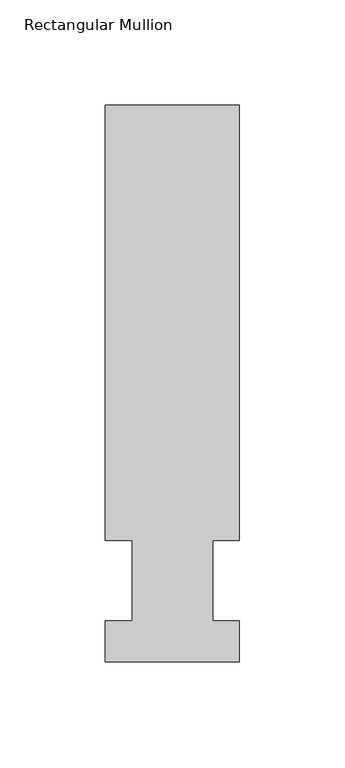
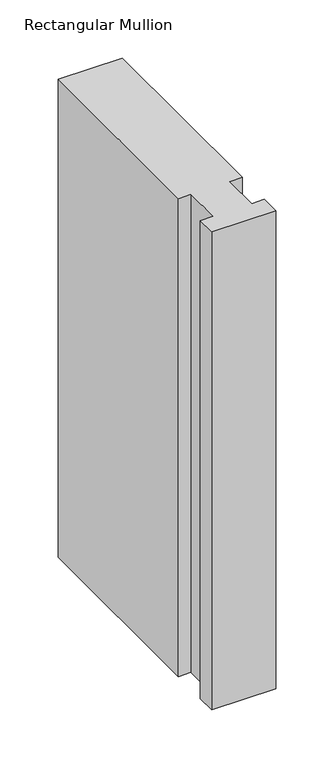
"""IFC4 building model written with IfcOpenShell, lengths in millimetres: member geometry, Rectangular Mullion."""

from ifc_helpers import new_model, si_unit, frame, origin, place, context, project, spatial, polyline, outline, extrude, source, transform, mapped, element, save


def rectangular_mullion_ae204266(model_context):
    return source(origin(), model_context, "Body", "SweptSolid", [
        extrude(outline(polyline([(-63.5, 57.6460937), (-63.5, 264.0210938), (0.0, 264.0210938), (0.0, 57.6460938), (-12.6873, 57.6460938), (-12.6873, 19.5460938), (0.0, 19.5460938), (0.0, 0.0134938), (-63.5, 0.0134938), (-63.5, 19.5460938), (-50.8, 19.5460938), (-50.8, 57.6460937), (-63.5, 57.6460937)])), frame((0.0, 0.0, -501.6543756), z_axis=(0.0, 0.0, 1.0), x_axis=(1.0, 0.0, 0.0)), (0.0, 0.0, 1.0), 501.6543756),
    ])


if __name__ == "__main__":
    model = new_model("IFC4")
    model_context = context("Model", 3, world=origin())
    ifc_project = project(units=[si_unit("LENGTHUNIT", "METRE", prefix="MILLI")], contexts=[model_context])
    site = spatial("IfcSite", under=ifc_project)
    building = spatial("IfcBuilding", under=site)
    placement = place(None, origin())
    rectangular_mullion_shape = rectangular_mullion_ae204266(model_context)
    element("IfcMember", 1, ObjectType="Rectangular Mullion", at=placement, inside=building, context=model_context, shape_type="MappedRepresentation", body=[
        mapped(rectangular_mullion_shape, transform((0.0, 0.0, 0.0), x_axis=(1.0, 0.0, 0.0), y_axis=(0.0, 1.0, 0.0), z_axis=(0.0, 0.0, 1.0))),
    ])
    save(model, "model.ifc")
